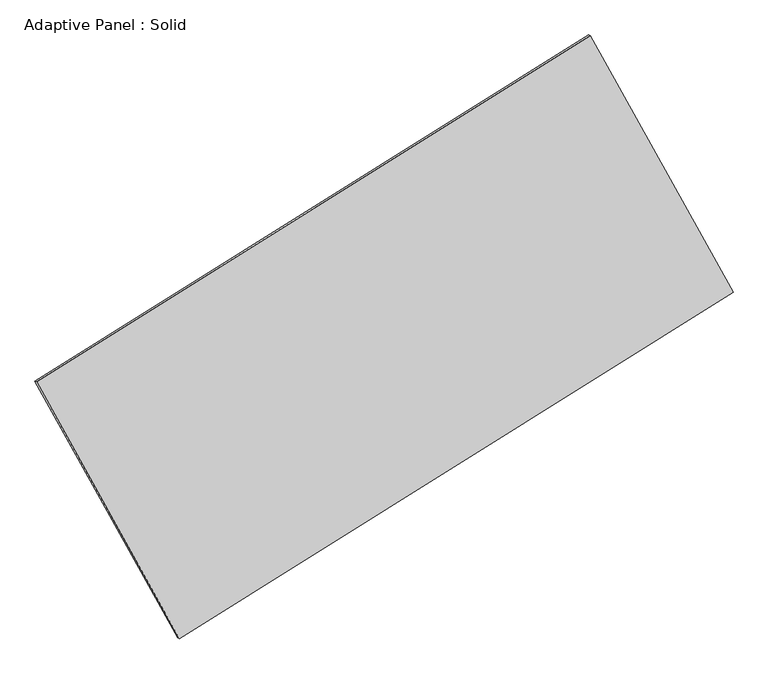
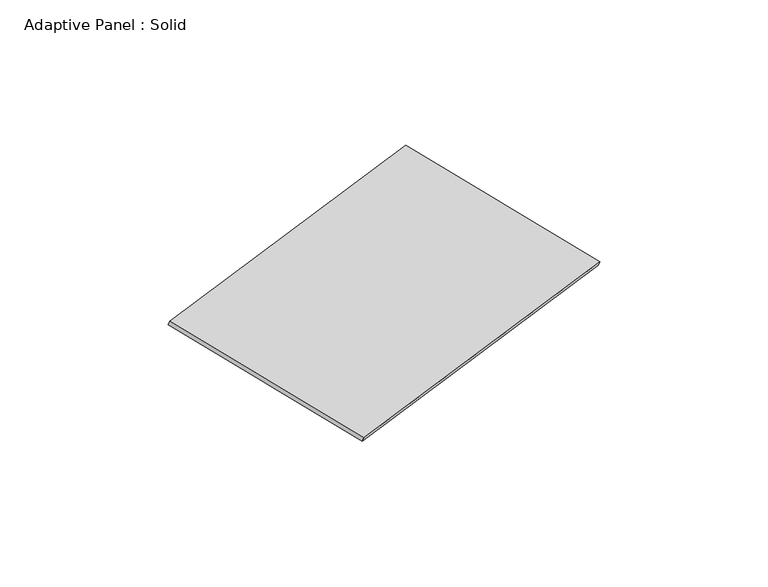
"""IFC4 building model written with IfcOpenShell, lengths in millimetres: plate geometry, Adaptive Panel : Solid."""

from ifc_helpers import new_model, si_unit, frame, origin, place, context, project, spatial, polyline, outline, extrude, source, transform, mapped, element, save


def adaptive_panel_solid_53f31c43(model_context):
    return source(origin(), model_context, "Body", "SweptSolid", [
        extrude(outline(polyline([(-1346.1768068, 2942.0419517), (1345.4551968, 2942.0419517), (1346.1767663, -2941.7118564), (-1345.4551563, -2942.3720471), (-1346.1768068, 2942.0419517)])), frame((-650.8226445, -100.0621432, 871.2806301), z_axis=(0.2933271166111773, -0.12760186928687173, 0.9474581603506664), x_axis=(0.4692544336507575, -0.8442337660183029, -0.25897803924977936)), (0.0, 0.0, 1.0), 50.0),
    ])


if __name__ == "__main__":
    model = new_model("IFC4")
    model_context = context("Model", 3, world=origin())
    ifc_project = project(units=[si_unit("LENGTHUNIT", "METRE", prefix="MILLI")], contexts=[model_context])
    site = spatial("IfcSite", under=ifc_project)
    building = spatial("IfcBuilding", under=site)
    placement = place(None, origin())
    adaptive_panel_solid_shape = adaptive_panel_solid_53f31c43(model_context)
    element("IfcPlate", 1, ObjectType="Adaptive Panel : Solid", at=placement, inside=building, context=model_context, shape_type="MappedRepresentation", body=[
        mapped(adaptive_panel_solid_shape, transform((0.0, 0.0, 0.0), x_axis=(1.0, 0.0, 0.0), y_axis=(0.0, 1.0, 0.0), z_axis=(0.0, 0.0, 1.0))),
    ])
    save(model, "model.ifc")
